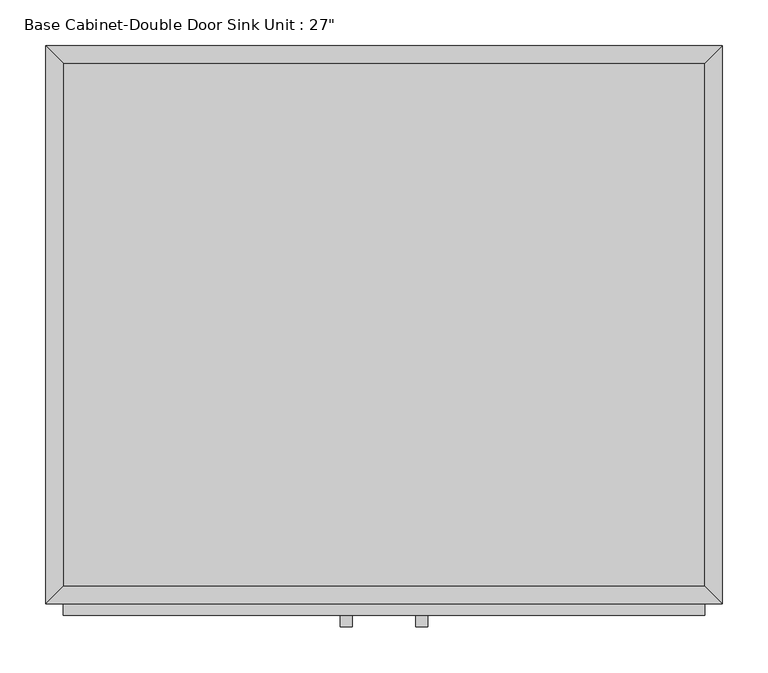
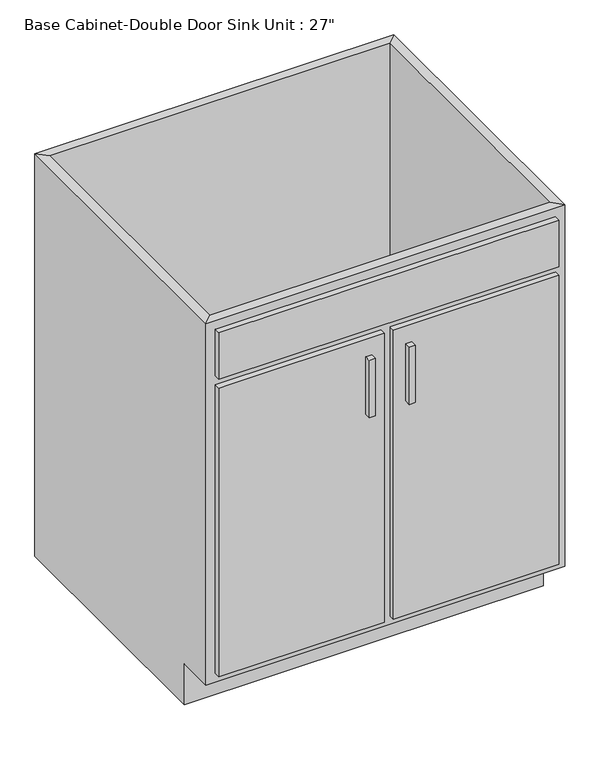
"""IFC4 building model written with IfcOpenShell, lengths in millimetres: furniture geometry."""

from ifc_helpers import new_model, si_unit, frame, origin, place, context, project, spatial, polyline, outline, extrude, faceted_brep, source, transform, mapped, element, save


def furniture_d88304fd(model_context):
    return source(origin(), model_context, "Body", "SolidModel", [
        faceted_brep([(369.0335831, -590.55, 876.3), (369.0335831, -590.55, 88.9), (-331.5581733, -590.55, 88.9), (-331.5581733, -590.55, 876.3), (-350.6081733, -609.6, 876.3), (388.0835831, -609.6, 876.3), (-350.6081733, -609.6, 88.9), (388.0835831, -609.6, 88.9), (-331.5581733, -533.4, 88.9), (-331.5581733, -19.05, 88.9), (-331.5581733, -19.05, 876.3), (-350.6081733, 0.0, 876.3), (-350.6081733, 0.0, 0.0), (-350.6081733, -533.4, 0.0), (-350.6081733, -533.4, 88.9), (369.0335831, -19.05, 88.9), (369.0335831, -19.05, 876.3), (388.0835831, 0.0, 876.3), (388.0835831, 0.0, 0.0), (369.0335831, -533.4, 88.9), (388.0835831, -533.4, 88.9), (388.0835831, -533.4, 0.0)], [[[0, 1, 2, 3]], [[0, 3, 4, 5]], [[5, 4, 6, 7]], [[2, 1, 7, 6]], [[3, 2, 8, 9, 10]], [[4, 3, 10, 11]], [[6, 4, 11, 12, 13, 14]], [[2, 6, 14, 8]], [[10, 9, 15, 16]], [[11, 10, 16, 17]], [[12, 11, 17, 18]], [[1, 0, 16, 15, 19]], [[0, 5, 17, 16]], [[5, 7, 20, 21, 18, 17]], [[7, 1, 19, 20]], [[8, 19, 15, 9]], [[18, 21, 13, 12]], [[13, 21, 20, 19, 8, 14]]]),
        extrude(outline(polyline([(-16.1872951, -635.0), (-28.8872951, -635.0), (-28.8872951, -622.3), (-16.1872951, -622.3), (-16.1872951, -635.0)])), frame((0.0, 0.0, 573.769895), z_axis=(0.0, 0.0, 1.0), x_axis=(1.0, 0.0, 0.0)), (0.0, 0.0, 1.0), 124.730105),
        extrude(outline(polyline([(66.3627049, -635.0), (53.6627049, -635.0), (53.6627049, -622.3), (66.3627049, -622.3), (66.3627049, -635.0)])), frame((0.0, 0.0, 573.769895), z_axis=(0.0, 0.0, 1.0), x_axis=(1.0, 0.0, 0.0)), (0.0, 0.0, 1.0), 124.730105),
        extrude(outline(polyline([(369.0335831, -19.05), (369.0335831, -590.55), (-331.5581733, -590.55), (-331.5581733, -19.05), (369.0335831, -19.05)])), frame((0.0, 0.0, 88.9), z_axis=(0.0, 0.0, 1.0), x_axis=(1.0, 0.0, 0.0)), (0.0, 0.0, 1.0), 19.05),
        extrude(outline(polyline([(9.2127049, -622.3), (-331.5581733, -622.3), (-331.5581733, -609.6), (9.2127049, -609.6), (9.2127049, -622.3)])), frame((0.0, 0.0, 107.95), z_axis=(0.0, 0.0, 1.0), x_axis=(1.0, 0.0, 0.0)), (0.0, 0.0, 1.0), 628.65),
        extrude(outline(polyline([(369.0335831, -622.3), (28.2627049, -622.3), (28.2627049, -609.6), (369.0335831, -609.6), (369.0335831, -622.3)])), frame((0.0, 0.0, 107.95), z_axis=(0.0, 0.0, 1.0), x_axis=(1.0, 0.0, 0.0)), (0.0, 0.0, 1.0), 628.65),
        extrude(outline(polyline([(369.0335831, -622.3), (-331.5581733, -622.3), (-331.5581733, -609.6), (369.0335831, -609.6), (369.0335831, -622.3)])), frame((0.0, 0.0, 755.65), z_axis=(0.0, 0.0, 1.0), x_axis=(1.0, 0.0, 0.0)), (0.0, 0.0, 1.0), 101.6),
    ])


if __name__ == "__main__":
    model = new_model("IFC4")
    model_context = context("Model", 3, world=origin())
    ifc_project = project(units=[si_unit("LENGTHUNIT", "METRE", prefix="MILLI")], contexts=[model_context])
    site = spatial("IfcSite", under=ifc_project)
    building = spatial("IfcBuilding", under=site)
    placement = place(None, origin())
    furniture_shape = furniture_d88304fd(model_context)
    element("IfcFurniture", 1, ObjectType="Base Cabinet-Double Door Sink Unit : 27\"", at=placement, inside=building, context=model_context, shape_type="MappedRepresentation", body=[
        mapped(furniture_shape, transform((0.0, 0.0, 0.0), x_axis=(1.0, 0.0, 0.0), y_axis=(0.0, 1.0, 0.0), z_axis=(0.0, 0.0, 1.0))),
    ])
    save(model, "model.ifc")
